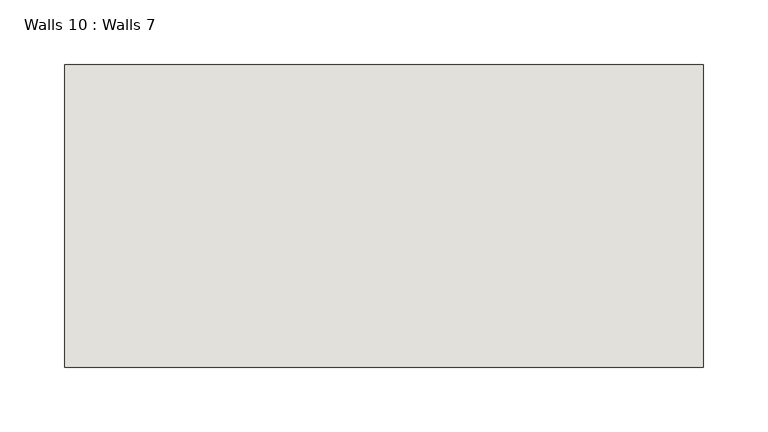
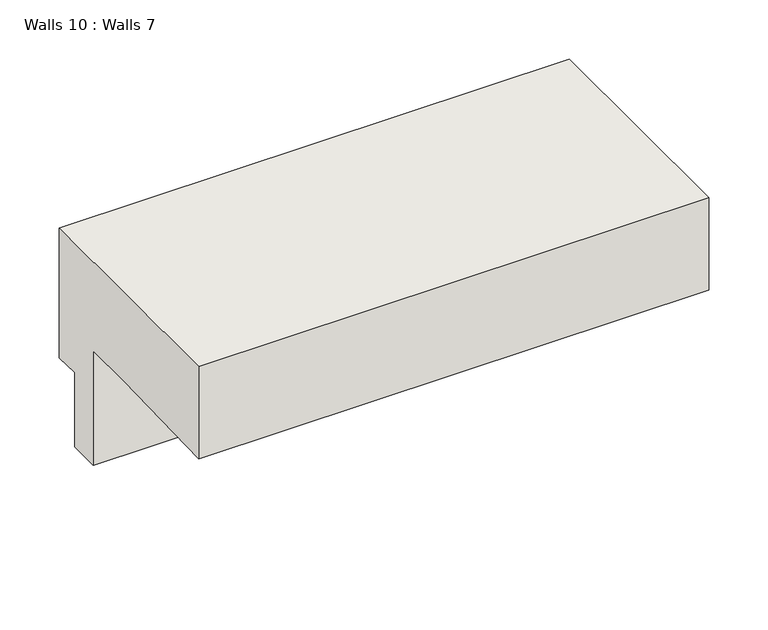
"""IFC4 building model written with IfcOpenShell, lengths in millimetres: wall geometry, Walls 10 : Walls 7."""

from ifc_helpers import new_model, si_unit, origin, place, context, project, spatial, faceted_brep, source, transform, mapped, element, save


def walls_10_walls_7_415d072b(model_context):
    return source(origin(), model_context, "Body", "Brep", [
        faceted_brep([(-25847.5103773, 39353.8210011, -1897.843421), (-25847.5103773, 39119.0698813, -1897.843421), (-25847.5103773, 39119.0698813, -1992.8880089), (-25847.5103773, 39245.8895902, -1989.4562333), (-25847.5103773, 39296.6710011, -1989.4562333), (-25847.5103773, 39296.6710011, -2091.0562333), (-25847.5103773, 39296.6710011, -2107.393421), (-25847.5103773, 39328.4210011, -2107.393421), (-25847.5103773, 39328.4210011, -2031.193421), (-25847.5103773, 39353.8210011, -2031.193421), (-26342.8103773, 39353.8210011, -1897.843421), (-26342.8103773, 39353.8210011, -2031.193421), (-26342.8103773, 39328.4210011, -2031.193421), (-26342.8103773, 39328.4210011, -2107.393421), (-26342.8103773, 39296.6710011, -2107.393421), (-26342.8103773, 39296.6710011, -2091.0562333), (-26342.8103773, 39296.6710011, -1989.4562333), (-26342.8103773, 39245.8895902, -1989.4562333), (-26342.8103773, 39119.0698813, -1992.8880089), (-26342.8103773, 39119.0698813, -1897.843421)], [[[0, 1, 2, 3, 4, 5, 6, 7, 8, 9]], [[10, 11, 12, 13, 14, 15, 16, 17, 18, 19]], [[1, 0, 10, 19]], [[1, 19, 18, 2]], [[13, 7, 6, 14]], [[8, 7, 13, 12]], [[9, 8, 12, 11]], [[0, 9, 11, 10]], [[17, 3, 2, 18]], [[4, 16, 15, 14, 6, 5]], [[3, 17, 16, 4]]]),
    ])


if __name__ == "__main__":
    model = new_model("IFC4")
    model_context = context("Model", 3, world=origin())
    ifc_project = project(units=[si_unit("LENGTHUNIT", "METRE", prefix="MILLI")], contexts=[model_context])
    site = spatial("IfcSite", under=ifc_project)
    building = spatial("IfcBuilding", under=site)
    placement = place(None, origin())
    walls_10_walls_7_shape = walls_10_walls_7_415d072b(model_context)
    element("IfcWall", 1, ObjectType="Walls 10 : Walls 7", at=placement, inside=building, context=model_context, shape_type="MappedRepresentation", body=[
        mapped(walls_10_walls_7_shape, transform((0.0, 0.0, 0.0), x_axis=(1.0, 0.0, 0.0), y_axis=(0.0, 1.0, 0.0), z_axis=(0.0, 0.0, 1.0))),
    ])
    save(model, "model.ifc")
